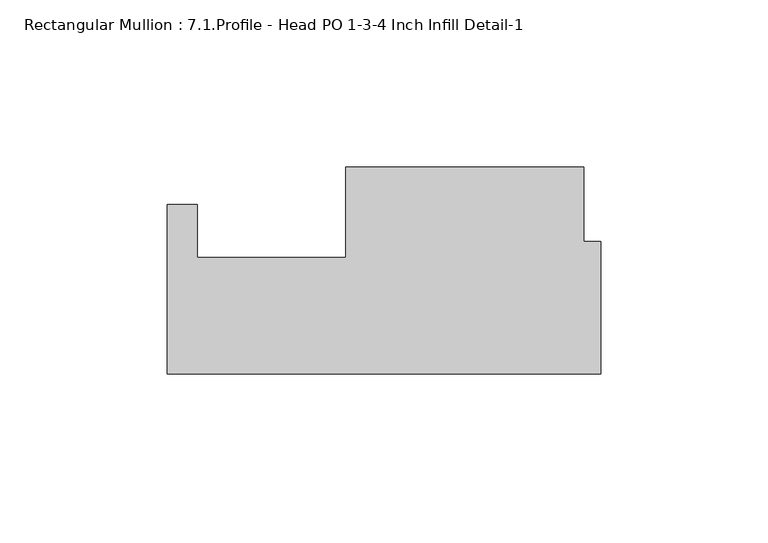
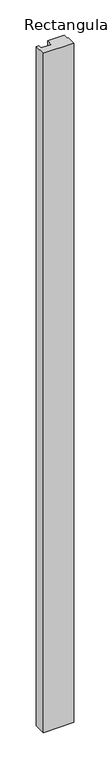
"""IFC4 building model written with IfcOpenShell, lengths in millimetres: member geometry, Rectangular Mullion : 7.1.Profile - Head PO 1-3-4 Inch Infill Detail-1."""

from ifc_helpers import new_model, si_unit, frame, origin, place, context, project, spatial, polyline, outline, extrude, source, transform, mapped, element, save


def rectangular_mullion_7_1_profile_head_po_1_3_4_inch_infill_2c512452(model_context):
    return source(origin(), model_context, "Body", "SweptSolid", [
        extrude(outline(polyline([(0.0, 31.75), (-129.6162, 31.75), (-129.6162, 82.5086685), (-120.6499997, 82.5086685), (-120.6499997, 66.6750005), (-76.1999998, 66.6750005), (-76.1999998, 93.6625), (-5.08, 93.6625), (-5.08, 71.4375), (0.0, 71.4375), (0.0, 31.75)])), frame((0.0, 0.0, -3048.0), z_axis=(0.0, 0.0, 1.0), x_axis=(1.0, 0.0, 0.0)), (0.0, 0.0, 1.0), 3048.0),
    ])


if __name__ == "__main__":
    model = new_model("IFC4")
    model_context = context("Model", 3, world=origin())
    ifc_project = project(units=[si_unit("LENGTHUNIT", "METRE", prefix="MILLI")], contexts=[model_context])
    site = spatial("IfcSite", under=ifc_project)
    building = spatial("IfcBuilding", under=site)
    placement = place(None, origin())
    rectangular_mullion_7_1_profile_head_po_1_3_4_inch_infill_shape = rectangular_mullion_7_1_profile_head_po_1_3_4_inch_infill_2c512452(model_context)
    element("IfcMember", 1, ObjectType="Rectangular Mullion : 7.1.Profile - Head PO 1-3-4 Inch Infill Detail-1", at=placement, inside=building, context=model_context, shape_type="MappedRepresentation", body=[
        mapped(rectangular_mullion_7_1_profile_head_po_1_3_4_inch_infill_shape, transform((0.0, 0.0, 0.0), x_axis=(1.0, 0.0, 0.0), y_axis=(0.0, 1.0, 0.0), z_axis=(0.0, 0.0, 1.0))),
    ])
    save(model, "model.ifc")
